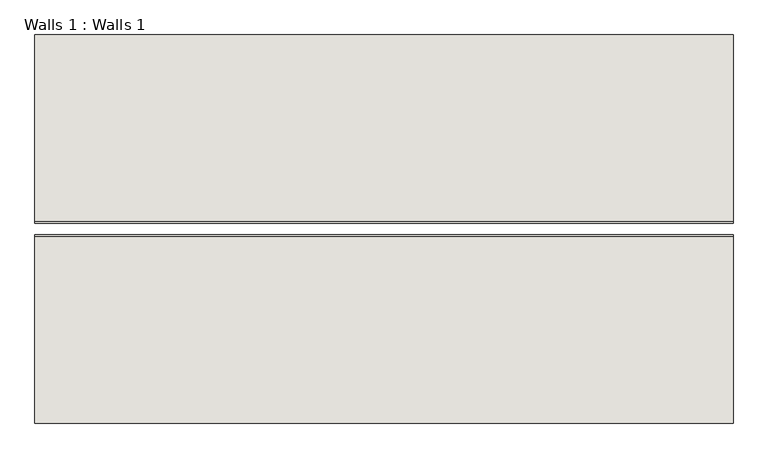
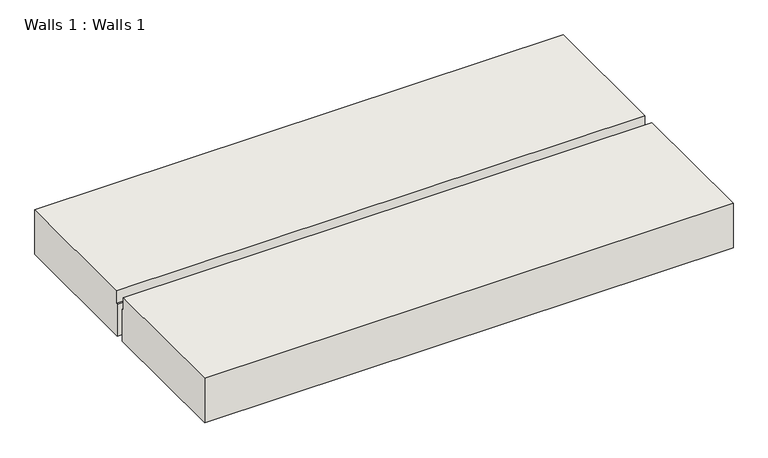
"""IFC4 building model written with IfcOpenShell, lengths in millimetres: wall geometry, Walls 1 : Walls 1."""

from ifc_helpers import new_model, si_unit, frame, origin, place, context, project, spatial, polyline, outline, extrude, source, transform, mapped, element, save


def walls_1_walls_1_7c4956a8(model_context):
    return source(origin(), model_context, "Body", "SweptSolid", [
        extrude(outline(polyline([(1717.2858959, 403.262188), (1717.2858959, 606.462188), (2326.8858959, 606.462188), (2326.8858959, 549.312188), (2333.2358959, 549.312188), (2333.2358959, 403.262188), (1717.2858959, 403.262188)])), frame((-971.3503933, 0.0, 0.0), z_axis=(1.0, 0.0, 0.0), x_axis=(0.0, 1.0, 0.0)), (0.0, 0.0, 1.0), 2286.0),
        extrude(outline(polyline([(2988.1819594, 403.262188), (2372.2319594, 403.262188), (2372.2319594, 549.312188), (2378.5819594, 549.312188), (2378.5819594, 606.462188), (2988.1819594, 606.462188), (2988.1819594, 403.262188)])), frame((-971.3503933, 0.0, 0.0), z_axis=(1.0, 0.0, 0.0), x_axis=(0.0, 1.0, 0.0)), (0.0, 0.0, 1.0), 2286.0),
    ])


if __name__ == "__main__":
    model = new_model("IFC4")
    model_context = context("Model", 3, world=origin())
    ifc_project = project(units=[si_unit("LENGTHUNIT", "METRE", prefix="MILLI")], contexts=[model_context])
    site = spatial("IfcSite", under=ifc_project)
    building = spatial("IfcBuilding", under=site)
    placement = place(None, origin())
    walls_1_walls_1_shape = walls_1_walls_1_7c4956a8(model_context)
    element("IfcWall", 1, ObjectType="Walls 1 : Walls 1", at=placement, inside=building, context=model_context, shape_type="MappedRepresentation", body=[
        mapped(walls_1_walls_1_shape, transform((0.0, 0.0, 0.0), x_axis=(1.0, 0.0, 0.0), y_axis=(0.0, 1.0, 0.0), z_axis=(0.0, 0.0, 1.0))),
    ])
    save(model, "model.ifc")
